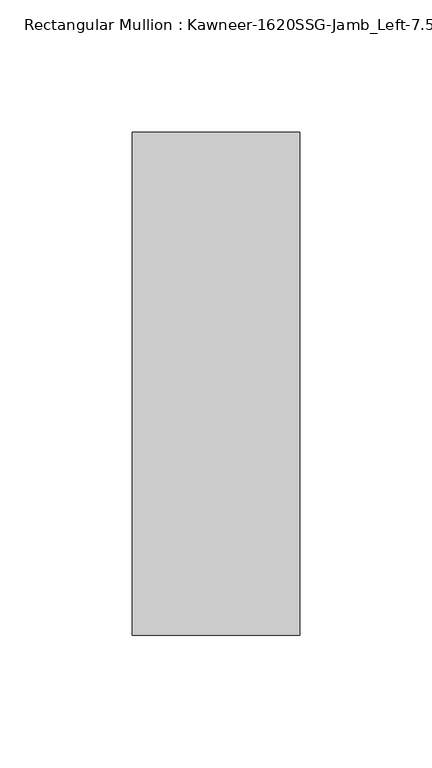
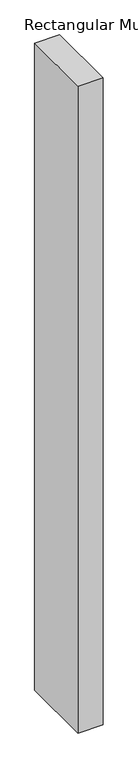
"""IFC4 building model written with IfcOpenShell, lengths in millimetres: member geometry."""

from ifc_helpers import new_model, si_unit, frame, origin, place, context, project, spatial, polyline, outline, extrude, source, transform, mapped, element, save


def member_0efeab5f(model_context):
    return source(origin(), model_context, "Body", "SweptSolid", [
        extrude(outline(polyline([(22.225, 38.1), (22.225, -152.4), (-41.275, -152.4), (-41.275, 38.1), (22.225, 38.1)])), frame((0.0, 0.0, -1739.9), z_axis=(0.0, 0.0, 1.0), x_axis=(1.0, 0.0, 0.0)), (0.0, 0.0, 1.0), 1739.9),
    ])


if __name__ == "__main__":
    model = new_model("IFC4")
    model_context = context("Model", 3, world=origin())
    ifc_project = project(units=[si_unit("LENGTHUNIT", "METRE", prefix="MILLI")], contexts=[model_context])
    site = spatial("IfcSite", under=ifc_project)
    building = spatial("IfcBuilding", under=site)
    placement = place(None, origin())
    member_shape = member_0efeab5f(model_context)
    element("IfcMember", 1, ObjectType="Rectangular Mullion : Kawneer-1620SSG-Jamb_Left-7.5\"-1\"Infill", at=placement, inside=building, context=model_context, shape_type="MappedRepresentation", body=[
        mapped(member_shape, transform((0.0, 0.0, 0.0), x_axis=(1.0, 0.0, 0.0), y_axis=(0.0, 1.0, 0.0), z_axis=(0.0, 0.0, 1.0))),
    ])
    save(model, "model.ifc")
